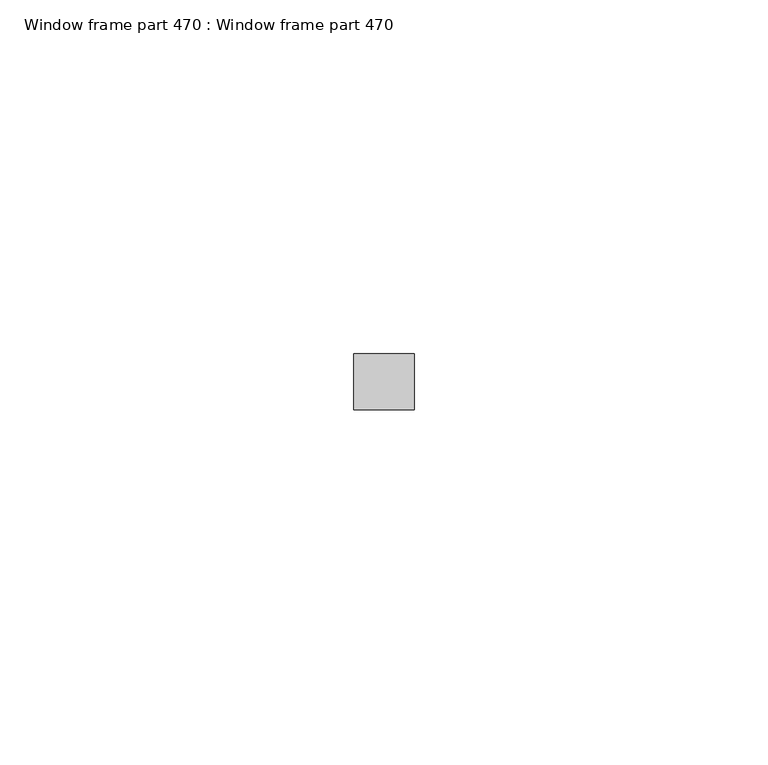
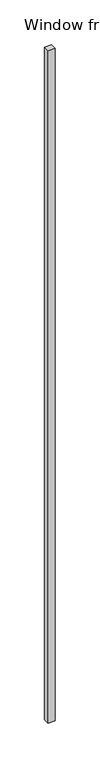
"""IFC4 building model written with IfcOpenShell, lengths in millimetres: proxy geometry, Window frame part 470 : Window frame part 470."""

from ifc_helpers import new_model, si_unit, frame, origin, place, context, project, spatial, polyline, outline, extrude, source, transform, mapped, element, save


def window_frame_part_470_window_frame_part_470_019c657b(model_context):
    return source(origin(), model_context, "Body", "SweptSolid", [
        extrude(outline(polyline([(37229.7553848, -22783.2222824), (37221.1671368, -22783.2222824), (37221.1671368, -22775.2842744), (37229.7553848, -22775.2842744), (37229.7553848, -22783.2222824)])), frame((0.0, 0.0, 1524.0), z_axis=(0.0, 0.0, 1.0), x_axis=(1.0, 0.0, 0.0)), (0.0, 0.0, 1.0), 914.4),
    ])


if __name__ == "__main__":
    model = new_model("IFC4")
    model_context = context("Model", 3, world=origin())
    ifc_project = project(units=[si_unit("LENGTHUNIT", "METRE", prefix="MILLI")], contexts=[model_context])
    site = spatial("IfcSite", under=ifc_project)
    building = spatial("IfcBuilding", under=site)
    placement = place(None, origin())
    window_frame_part_470_window_frame_part_470_shape = window_frame_part_470_window_frame_part_470_019c657b(model_context)
    element("IfcBuildingElementProxy", 1, Name="Window frame part 470 : Window frame part 470", ObjectType="Window frame part 470 : Window frame part 470", at=placement, inside=building, context=model_context, shape_type="MappedRepresentation", body=[
        mapped(window_frame_part_470_window_frame_part_470_shape, transform((0.0, 0.0, 0.0), x_axis=(1.0, 0.0, 0.0), y_axis=(0.0, 1.0, 0.0), z_axis=(0.0, 0.0, 1.0))),
    ])
    save(model, "model.ifc")
